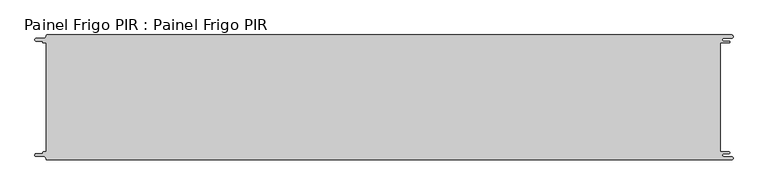
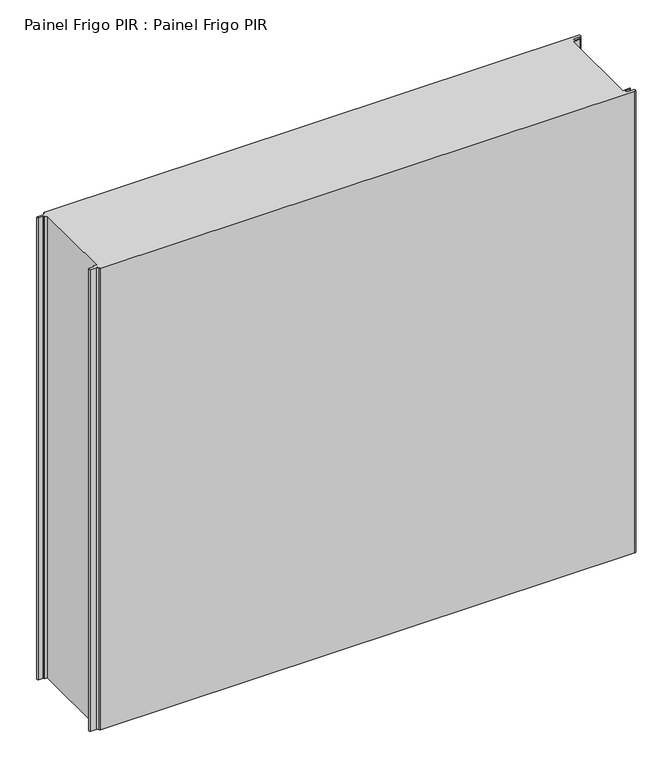
"""IFC4 building model written with IfcOpenShell, lengths in millimetres: proxy geometry, Painel Frigo PIR : Painel Frigo PIR."""

from ifc_helpers import new_model, si_unit, frame, origin, place, context, project, spatial, polyline, circle_curve, source, transform, mapped, element, save
from ifc_brep_helpers import plane_surface, cylinder_surface, revolved_surface, advanced_brep


def painel_frigo_pir_painel_frigo_pir_f16702a8(model_context):
    return source(origin(), model_context, "Body", "AdvancedBrep", [
        advanced_brep(
        [(-554.5874998, -87.3, 1000.0), (-555.1874998, -87.9, 1000.0), (-555.1874998, -88.7085184, 1000.0), (-556.5875001, -90.1085187, 1000.0), (-565.565625, -90.1085187, 1000.0), (-565.565625, -94.5085185, 1000.0), (-553.55, -94.5085185, 1000.0), (-550.0, -98.0585185, 1000.0), (-548.05, -100.0, 1000.0), (546.89375, -100.0, 1000.0), (546.89375, -94.725, 1000.0), (534.45625, -94.725, 1000.0), (534.45625, -89.875, 1000.0), (543.1187503, -89.875, 1000.0), (543.1187503, -87.3, 1000.0), (529.2687503, -87.3, 1000.0), (529.2687503, 87.3, 1000.0), (543.1187503, 87.3, 1000.0), (543.1187503, 89.875, 1000.0), (534.45625, 89.875, 1000.0), (534.45625, 94.725, 1000.0), (546.89375, 94.725, 1000.0), (546.89375, 100.0, 1000.0), (-548.05, 100.0, 1000.0), (-550.0, 98.05, 1000.0), (-553.55, 94.5085185, 1000.0), (-565.565625, 94.5085185, 1000.0), (-565.565625, 90.1085185, 1000.0), (-556.5875003, 90.1085185, 1000.0), (-555.1875003, 88.7085185, 1000.0), (-555.1875003, 87.9, 1000.0), (-554.5874998, 87.2999995, 1000.0), (-549.2999612, 87.2999995, 1000.0), (-549.2999612, -87.3, 1000.0), (-554.5874998, -87.3, 0.0), (-549.2999612, -87.3, 0.0), (-549.2999612, 87.2999995, 0.0), (-554.5874998, 87.2999995, 0.0), (-555.1875003, 87.9, 0.0), (-555.1875003, 88.7085185, 0.0), (-556.5875003, 90.1085185, 0.0), (-565.565625, 90.1085185, 0.0), (-565.565625, 94.5085185, 0.0), (-553.55, 94.5085185, 0.0), (-550.0, 98.0585185, 0.0), (-548.05, 100.0, 0.0), (546.89375, 100.0, 0.0), (546.89375, 94.725, 0.0), (534.45625, 94.725, 0.0), (534.45625, 89.875, 0.0), (543.1187503, 89.875, 0.0), (543.1187503, 87.3, 0.0), (529.2687503, 87.3, 0.0), (529.2687503, -87.3, 0.0), (543.1187503, -87.3, 0.0), (543.1187503, -89.875, 0.0), (534.45625, -89.875, 0.0), (534.45625, -94.725, 0.0), (546.89375, -94.725, 0.0), (546.89375, -100.0, 0.0), (-548.05, -100.0, 0.0), (-550.0, -98.05, 0.0), (-553.55, -94.5085185, 0.0), (-565.565625, -94.5085185, 0.0), (-565.565625, -90.1085187, 0.0), (-556.5875001, -90.1085187, 0.0), (-555.1874998, -88.7085184, 0.0), (-555.1874998, -87.9, 0.0)],
        [
            (0, 1, circle_curve(frame((-554.5874998, -87.9, 1000.0), z_axis=(0.0, 0.0, 1.0), x_axis=(1.0, 0.0, 0.0)), 0.6)),
            (1, 2),
            (2, 3, circle_curve(frame((-556.5875001, -88.7085184, 1000.0), z_axis=(0.0, 0.0, -1.0), x_axis=(1.0, 0.0, 0.0)), 1.4000003)),
            (3, 4),
            (4, 5, circle_curve(frame((-565.565625, -92.3085186, 1000.0), z_axis=(0.0, 0.0, 1.0), x_axis=(1.0, 0.0, 0.0)), 2.1999999)),
            (5, 6),
            (6, 7, circle_curve(frame((-553.55, -98.0585185, 1000.0), z_axis=(0.0, 0.0, -1.0), x_axis=(1.0, 0.0, 0.0)), 3.55)),
            (7, 8, circle_curve(frame((-548.05, -98.05, 1000.0), z_axis=(0.0, 0.0, 1.0), x_axis=(1.0, 0.0, 0.0)), 1.95)),
            (8, 9),
            (9, 10, circle_curve(frame((546.89375, -97.3625, 1000.0), z_axis=(0.0, 0.0, 1.0), x_axis=(1.0, 0.0, 0.0)), 2.6375)),
            (10, 11),
            (11, 12, circle_curve(frame((534.45625, -92.3, 1000.0), z_axis=(0.0, 0.0, -1.0), x_axis=(1.0, 0.0, 0.0)), 2.425)),
            (12, 13),
            (13, 14, circle_curve(frame((543.1187503, -88.5875, 1000.0), z_axis=(0.0, 0.0, 1.0), x_axis=(1.0, 0.0, 0.0)), 1.2875)),
            (14, 15),
            (15, 16),
            (16, 17),
            (17, 18, circle_curve(frame((543.1187503, 88.5875, 1000.0), z_axis=(0.0, 0.0, 1.0), x_axis=(1.0, 0.0, 0.0)), 1.2875)),
            (18, 19),
            (19, 20, circle_curve(frame((534.45625, 92.3, 1000.0), z_axis=(0.0, 0.0, -1.0), x_axis=(1.0, 0.0, 0.0)), 2.425)),
            (20, 21),
            (21, 22, circle_curve(frame((546.89375, 97.3625, 1000.0), z_axis=(0.0, 0.0, 1.0), x_axis=(1.0, 0.0, 0.0)), 2.6375)),
            (22, 23),
            (23, 24, circle_curve(frame((-548.05, 98.05, 1000.0), z_axis=(0.0, 0.0, 1.0), x_axis=(1.0, 0.0, 0.0)), 1.95)),
            (24, 25, circle_curve(frame((-553.55, 98.0585185, 1000.0), z_axis=(0.0, 0.0, -1.0), x_axis=(1.0, 0.0, 0.0)), 3.55)),
            (25, 26),
            (26, 27, circle_curve(frame((-565.565625, 92.3085185, 1000.0), z_axis=(0.0, 0.0, 1.0), x_axis=(1.0, 0.0, 0.0)), 2.2)),
            (27, 28),
            (28, 29, circle_curve(frame((-556.5875003, 88.7085185, 1000.0), z_axis=(0.0, 0.0, -1.0), x_axis=(1.0, 0.0, 0.0)), 1.4)),
            (29, 30),
            (30, 31, circle_curve(frame((-554.5874998, 87.9, 1000.0), z_axis=(0.0, 0.0, 1.0), x_axis=(1.0, 0.0, 0.0)), 0.6000005)),
            (31, 32),
            (32, 33),
            (33, 0),
            (34, 35),
            (35, 36),
            (36, 37),
            (37, 38, circle_curve(frame((-554.5874998, 87.9, 0.0), z_axis=(0.0, 0.0, -1.0), x_axis=(1.0, 0.0, 0.0)), 0.6000005)),
            (38, 39),
            (39, 40, circle_curve(frame((-556.5875003, 88.7085185, 0.0), z_axis=(0.0, 0.0, 1.0), x_axis=(1.0, 0.0, 0.0)), 1.4)),
            (40, 41),
            (41, 42, circle_curve(frame((-565.565625, 92.3085185, 0.0), z_axis=(0.0, 0.0, -1.0), x_axis=(1.0, 0.0, 0.0)), 2.2)),
            (42, 43),
            (43, 44, circle_curve(frame((-553.55, 98.0585185, 0.0), z_axis=(0.0, 0.0, 1.0), x_axis=(1.0, 0.0, 0.0)), 3.55)),
            (44, 45, circle_curve(frame((-548.05, 98.05, 0.0), z_axis=(0.0, 0.0, -1.0), x_axis=(1.0, 0.0, 0.0)), 1.95)),
            (45, 46),
            (46, 47, circle_curve(frame((546.89375, 97.3625, 0.0), z_axis=(0.0, 0.0, -1.0), x_axis=(1.0, 0.0, 0.0)), 2.6375)),
            (47, 48),
            (48, 49, circle_curve(frame((534.45625, 92.3, 0.0), z_axis=(0.0, 0.0, 1.0), x_axis=(1.0, 0.0, 0.0)), 2.425)),
            (49, 50),
            (50, 51, circle_curve(frame((543.1187503, 88.5875, 0.0), z_axis=(0.0, 0.0, -1.0), x_axis=(1.0, 0.0, 0.0)), 1.2875)),
            (51, 52),
            (52, 53),
            (53, 54),
            (54, 55, circle_curve(frame((543.1187503, -88.5875, 0.0), z_axis=(0.0, 0.0, -1.0), x_axis=(1.0, 0.0, 0.0)), 1.2875)),
            (55, 56),
            (56, 57, circle_curve(frame((534.45625, -92.3, 0.0), z_axis=(0.0, 0.0, 1.0), x_axis=(1.0, 0.0, 0.0)), 2.425)),
            (57, 58),
            (58, 59, circle_curve(frame((546.89375, -97.3625, 0.0), z_axis=(0.0, 0.0, -1.0), x_axis=(1.0, 0.0, 0.0)), 2.6375)),
            (59, 60),
            (60, 61, circle_curve(frame((-548.05, -98.05, 0.0), z_axis=(0.0, 0.0, -1.0), x_axis=(1.0, 0.0, 0.0)), 1.95)),
            (61, 62, circle_curve(frame((-553.55, -98.0585185, 0.0), z_axis=(0.0, 0.0, 1.0), x_axis=(1.0, 0.0, 0.0)), 3.55)),
            (62, 63),
            (63, 64, circle_curve(frame((-565.565625, -92.3085186, 0.0), z_axis=(0.0, 0.0, -1.0), x_axis=(1.0, 0.0, 0.0)), 2.1999999)),
            (64, 65),
            (65, 66, circle_curve(frame((-556.5875001, -88.7085184, 0.0), z_axis=(0.0, 0.0, 1.0), x_axis=(1.0, 0.0, 0.0)), 1.4000003)),
            (66, 67),
            (67, 34, circle_curve(frame((-554.5874998, -87.9, 0.0), z_axis=(0.0, 0.0, -1.0), x_axis=(1.0, 0.0, 0.0)), 0.6)),
            (33, 35),
            (34, 0),
            (32, 36),
            (31, 37),
            (30, 38),
            (29, 39),
            (28, 40),
            (27, 41),
            (26, 42),
            (25, 43),
            (24, 44),
            (23, 45),
            (22, 46),
            (15, 53),
            (52, 16),
            (14, 54),
            (13, 55),
            (12, 56),
            (11, 57),
            (10, 58),
            (9, 59),
            (8, 60),
            (7, 61),
            (6, 62),
            (5, 63),
            (4, 64),
            (3, 65),
            (2, 66),
            (1, 67),
            (21, 47),
            (20, 48),
            (19, 49),
            (18, 50),
            (17, 51),
        ],
        [
            plane_surface(frame((-549.2999612, -87.3, 1000.0), z_axis=(0.0, 0.0, 1.0), x_axis=(1.0, 0.0, 0.0))),
            plane_surface(frame((-549.2999612, -87.3, 0.0), z_axis=(0.0, 0.0, -1.0), x_axis=(-1.0, 0.0, 0.0))),
            plane_surface(frame((-554.5874998, -87.3, 1000.0), z_axis=(0.0, 1.0, 0.0), x_axis=(0.0, 0.0, -1.0))),
            plane_surface(frame((-549.2999612, -87.3, 1000.0), z_axis=(-1.0, 0.0, 0.0), x_axis=(0.0, 0.0, -1.0))),
            plane_surface(frame((-549.2999612, 87.2999995, 1000.0), z_axis=(0.0, -1.0, 0.0), x_axis=(0.0, 0.0, -1.0))),
            cylinder_surface(frame((-554.5874998, 87.9, 0.0), z_axis=(0.0, 0.0, 1.0), x_axis=(1.0, 0.0, 0.0)), 0.6000005),
            plane_surface(frame((-555.1875003, 87.9, 1000.0), z_axis=(-1.0, -1.7578608662330256e-12, 0.0), x_axis=(0.0, 0.0, -1.0))),
            revolved_surface(polyline([(-555.1875003, 88.7085185, 0.0), (-555.1875003, 88.7085185, 1000.0)]), (-556.5875003, 88.7085185, 0.0), (0.0, 0.0, -1.0)),
            plane_surface(frame((-556.5875003, 90.1085185, 1000.0), z_axis=(0.0, -1.0, 0.0), x_axis=(0.0, 0.0, -1.0))),
            cylinder_surface(frame((-565.565625, 92.3085185, 0.0), z_axis=(0.0, 0.0, 1.0), x_axis=(1.0, 0.0, 0.0)), 2.2),
            plane_surface(frame((-565.565625, 94.5085185, 1000.0), z_axis=(0.0, 1.0, 0.0), x_axis=(0.0, 0.0, -1.0))),
            revolved_surface(polyline([(-550.0, 98.0585185, 0.0), (-550.0, 98.0585185, 1000.0)]), (-553.55, 98.0585185, 0.0), (0.0, 0.0, -1.0)),
            cylinder_surface(frame((-548.05, 98.05, 0.0), z_axis=(0.0, 0.0, 1.0), x_axis=(1.0, 0.0, 0.0)), 1.95),
            plane_surface(frame((-548.05, 100.0, 1000.0), z_axis=(0.0, 1.0, 0.0), x_axis=(0.0, 0.0, -1.0))),
            plane_surface(frame((529.2687503, 87.3, 1000.0), z_axis=(1.0, 0.0, 0.0), x_axis=(0.0, 0.0, -1.0))),
            plane_surface(frame((529.2687503, -87.3, 1000.0), z_axis=(0.0, 1.0, 0.0), x_axis=(0.0, 0.0, -1.0))),
            cylinder_surface(frame((543.1187503, -88.5875, 0.0), z_axis=(0.0, 0.0, 1.0), x_axis=(1.0, 0.0, 0.0)), 1.2875),
            plane_surface(frame((543.1187503, -89.875, 1000.0), z_axis=(0.0, -1.0, 0.0), x_axis=(0.0, 0.0, -1.0))),
            revolved_surface(polyline([(536.8812499999999, -92.3, 0.0), (536.8812499999999, -92.3, 1000.0)]), (534.45625, -92.3, 0.0), (0.0, 0.0, -1.0)),
            plane_surface(frame((534.45625, -94.725, 1000.0), z_axis=(0.0, 1.0, 0.0), x_axis=(0.0, 0.0, -1.0))),
            cylinder_surface(frame((546.89375, -97.3625, 0.0), z_axis=(0.0, 0.0, 1.0), x_axis=(1.0, 0.0, 0.0)), 2.6375),
            plane_surface(frame((546.89375, -100.0, 1000.0), z_axis=(0.0, -1.0, 0.0), x_axis=(0.0, 0.0, -1.0))),
            cylinder_surface(frame((-548.05, -98.05, 0.0), z_axis=(0.0, 0.0, 1.0), x_axis=(1.0, 0.0, 0.0)), 1.95),
            revolved_surface(polyline([(-550.0, -98.0585185, 0.0), (-550.0, -98.0585185, 1000.0)]), (-553.55, -98.0585185, 0.0), (0.0, 0.0, -1.0)),
            plane_surface(frame((-553.55, -94.5085185, 1000.0), z_axis=(0.0, -1.0, 0.0), x_axis=(0.0, 0.0, -1.0))),
            cylinder_surface(frame((-565.565625, -92.3085186, 0.0), z_axis=(0.0, 0.0, 1.0), x_axis=(1.0, 0.0, 0.0)), 2.1999999),
            plane_surface(frame((-565.565625, -90.1085187, 1000.0), z_axis=(0.0, 1.0, 0.0), x_axis=(0.0, 0.0, -1.0))),
            revolved_surface(polyline([(-555.1874998000001, -88.7085184, 0.0), (-555.1874998000001, -88.7085184, 1000.0)]), (-556.5875001, -88.7085184, 0.0), (0.0, 0.0, -1.0)),
            plane_surface(frame((-555.1874998, -88.7085184, 1000.0), z_axis=(-1.0, 0.0, 0.0), x_axis=(0.0, 0.0, -1.0))),
            cylinder_surface(frame((-554.5874998, -87.9, 0.0), z_axis=(0.0, 0.0, 1.0), x_axis=(1.0, 0.0, 0.0)), 0.6),
            cylinder_surface(frame((546.89375, 97.3625, 0.0), z_axis=(0.0, 0.0, 1.0), x_axis=(1.0, 0.0, 0.0)), 2.6375),
            plane_surface(frame((546.89375, 94.725, 1000.0), z_axis=(0.0, -1.0, 0.0), x_axis=(0.0, 0.0, -1.0))),
            revolved_surface(polyline([(536.8812499999999, 92.3, 0.0), (536.8812499999999, 92.3, 1000.0)]), (534.45625, 92.3, 0.0), (0.0, 0.0, -1.0)),
            plane_surface(frame((534.45625, 89.875, 1000.0), z_axis=(0.0, 1.0, 0.0), x_axis=(0.0, 0.0, -1.0))),
            cylinder_surface(frame((543.1187503, 88.5875, 0.0), z_axis=(0.0, 0.0, 1.0), x_axis=(1.0, 0.0, 0.0)), 1.2875),
            plane_surface(frame((543.1187503, 87.3, 1000.0), z_axis=(0.0, -1.0, 0.0), x_axis=(0.0, 0.0, -1.0))),
        ],
        [
            (0, [[1, 2, 3, 4, 5, 6, 7, 8, 9, 10, 11, 12, 13, 14, 15, 16, 17, 18, 19, 20, 21, 22, 23, 24, 25, 26, 27, 28, 29, 30, 31, 32, 33, 34]]),
            (1, [[35, 36, 37, 38, 39, 40, 41, 42, 43, 44, 45, 46, 47, 48, 49, 50, 51, 52, 53, 54, 55, 56, 57, 58, 59, 60, 61, 62, 63, 64, 65, 66, 67, 68]]),
            (2, [[69, -35, 70, -34]]),
            (3, [[71, -36, -69, -33]]),
            (4, [[72, -37, -71, -32]]),
            (5, [[73, -38, -72, -31]]),
            (6, [[74, -39, -73, -30]]),
            (7, [[75, -40, -74, -29]]),
            (8, [[76, -41, -75, -28]]),
            (9, [[77, -42, -76, -27]]),
            (10, [[78, -43, -77, -26]]),
            (11, [[79, -44, -78, -25]]),
            (12, [[80, -45, -79, -24]]),
            (13, [[81, -46, -80, -23]]),
            (14, [[82, -53, 83, -16]]),
            (15, [[84, -54, -82, -15]]),
            (16, [[85, -55, -84, -14]]),
            (17, [[86, -56, -85, -13]]),
            (18, [[87, -57, -86, -12]]),
            (19, [[88, -58, -87, -11]]),
            (20, [[89, -59, -88, -10]]),
            (21, [[90, -60, -89, -9]]),
            (22, [[91, -61, -90, -8]]),
            (23, [[92, -62, -91, -7]]),
            (24, [[93, -63, -92, -6]]),
            (25, [[94, -64, -93, -5]]),
            (26, [[95, -65, -94, -4]]),
            (27, [[96, -66, -95, -3]]),
            (28, [[97, -67, -96, -2]]),
            (29, [[-70, -68, -97, -1]]),
            (30, [[98, -47, -81, -22]]),
            (31, [[99, -48, -98, -21]]),
            (32, [[100, -49, -99, -20]]),
            (33, [[101, -50, -100, -19]]),
            (34, [[102, -51, -101, -18]]),
            (35, [[-83, -52, -102, -17]]),
        ],
    ),
    ])


if __name__ == "__main__":
    model = new_model("IFC4")
    model_context = context("Model", 3, world=origin())
    ifc_project = project(units=[si_unit("LENGTHUNIT", "METRE", prefix="MILLI")], contexts=[model_context])
    site = spatial("IfcSite", under=ifc_project)
    building = spatial("IfcBuilding", under=site)
    placement = place(None, origin())
    painel_frigo_pir_painel_frigo_pir_shape = painel_frigo_pir_painel_frigo_pir_f16702a8(model_context)
    element("IfcBuildingElementProxy", 1, Name="Painel Frigo PIR : Painel Frigo PIR", ObjectType="Painel Frigo PIR : Painel Frigo PIR", at=placement, inside=building, context=model_context, shape_type="MappedRepresentation", body=[
        mapped(painel_frigo_pir_painel_frigo_pir_shape, transform((0.0, 0.0, 0.0), x_axis=(1.0, 0.0, 0.0), y_axis=(0.0, 1.0, 0.0), z_axis=(0.0, 0.0, 1.0))),
    ])
    save(model, "model.ifc")
